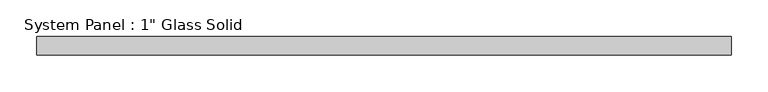
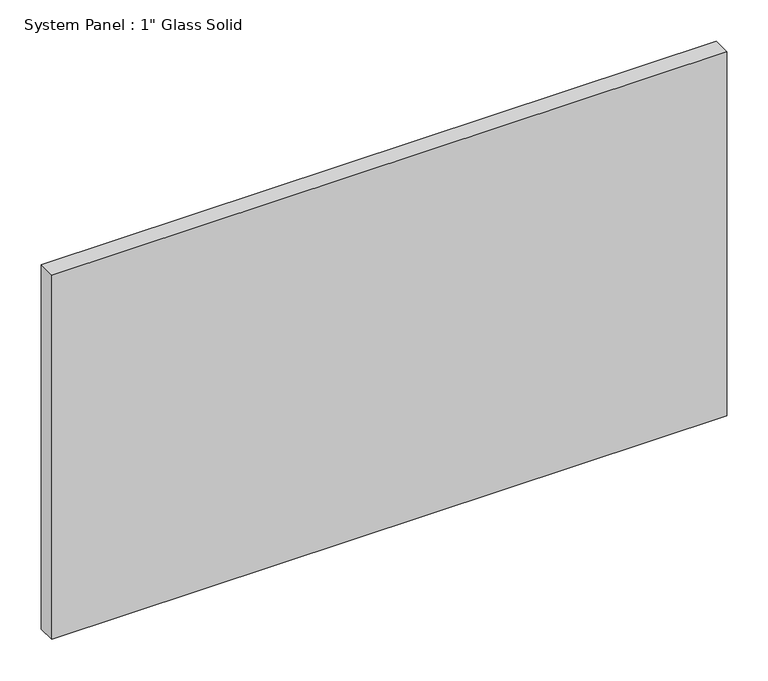
"""IFC4 building model written with IfcOpenShell, lengths in millimetres: plate geometry."""

import ifcopenshell
import ifcopenshell.guid

model = None  # the IFC model being written
_history = None  # IfcOwnerHistory: only IFC2X3 demands one
_inside = {}  # id of a spatial element -> (the spatial element, [elements in it])
_under = {}  # id of a project, library or spatial element -> (it, [spatial elements below it])
_declared = {}  # id of a project -> (the project, [libraries it declares])
_typed = {}  # id of a type object -> (the type object, [elements of that type])
_made_of = {}  # id of a material, layer set ... -> (it, [elements and type objects made of it])


def new_model(schema):
    """Start an empty IFC model of exactly this schema.

    Asked for "IFC4X3", IfcOpenShell would pick the latest addendum, in which some entities
    have other attributes; the version numbers below select the first issue.
    IFC2X3 requires an IfcOwnerHistory on every rooted entity: one is made here for all.
    """
    global model, _history
    if schema == "IFC4X3":
        model = ifcopenshell.file(schema_version=(4, 3, 0, 0))
    else:
        model = ifcopenshell.file(schema=schema)
    _inside.clear()
    _under.clear()
    _declared.clear()
    _typed.clear()
    _made_of.clear()
    _history = None
    if model.schema == "IFC2X3":
        org = make("IfcOrganization", Name="unknown")
        user = make(
            "IfcPersonAndOrganization",
            ThePerson=make("IfcPerson", FamilyName="unknown"),
            TheOrganization=org,
        )
        app = make(
            "IfcApplication",
            ApplicationDeveloper=org,
            Version="unknown",
            ApplicationFullName="unknown",
            ApplicationIdentifier="unknown",
        )
        _history = make(
            "IfcOwnerHistory",
            OwningUser=user,
            OwningApplication=app,
            ChangeAction="ADDED",
            CreationDate=0,
        )
    return model


def make(cls, **values):
    """One entity of the class cls with the attributes given. An attribute that is None is left unset."""
    return model.create_entity(
        cls, **{name: value for name, value in values.items() if value is not None}
    )


def rooted(cls, **values):
    """An entity with a GlobalId (a new one), such as an element, a storey or a relation."""
    return make(cls, GlobalId=ifcopenshell.guid.new(), OwnerHistory=_history, **values)


def si_unit(unit_type, name, prefix=None):
    """IfcSIUnit, for example si_unit("LENGTHUNIT", "METRE", prefix="MILLI")."""
    return make("IfcSIUnit", UnitType=unit_type, Prefix=prefix, Name=name)


def assignment(units):
    """IfcUnitAssignment: the units of a project."""
    return None if units is None else make("IfcUnitAssignment", Units=units)


def point(xyz):
    """IfcCartesianPoint."""
    return None if xyz is None else make("IfcCartesianPoint", Coordinates=xyz)


def direction(xyz):
    """IfcDirection."""
    return None if xyz is None else make("IfcDirection", DirectionRatios=xyz)


def frame(location, z_axis=None, x_axis=None):
    """IfcAxis2Placement3D, a coordinate frame: its origin and axes. An axis left out is left unset."""
    return make(
        "IfcAxis2Placement3D",
        Location=point(location),
        Axis=direction(z_axis),
        RefDirection=direction(x_axis),
    )


def origin():
    """The frame at (0, 0, 0) with its axes left unset."""
    return frame((0.0, 0.0, 0.0))


def origin_with_axes():
    """The frame at (0, 0, 0) with the z axis (0, 0, 1) and the x axis (1, 0, 0) written out."""
    return frame((0.0, 0.0, 0.0), z_axis=(0.0, 0.0, 1.0), x_axis=(1.0, 0.0, 0.0))


def place(relative_to, where):
    """IfcLocalPlacement: puts the frame where relative to a parent placement (None: the world)."""
    return make(
        "IfcLocalPlacement", PlacementRelTo=relative_to, RelativePlacement=where
    )


def context(
    kind, dimensions, precision=None, world=None, true_north=None, identifier=None
):
    """IfcGeometricRepresentationContext, for example the 3D "Model" context."""
    return make(
        "IfcGeometricRepresentationContext",
        ContextIdentifier=identifier,
        ContextType=kind,
        CoordinateSpaceDimension=dimensions,
        Precision=precision,
        WorldCoordinateSystem=world,
        TrueNorth=true_north,
    )


def project(units=None, contexts=None):
    """IfcProject with its units and contexts."""
    return rooted(
        "IfcProject",
        Name="project",
        RepresentationContexts=contexts,
        UnitsInContext=assignment(units),
    )


def spatial(cls, under=None, at=None, **own):
    """A site, building, storey or space (cls), placed at a placement, below another one or the project."""
    s = rooted(cls, ObjectPlacement=at, **own)
    if under is not None:
        _under.setdefault(under.id(), (under, []))[1].append(s)
    return s


def polyline(points):
    """IfcPolyline through the points."""
    return make("IfcPolyline", Points=[point(p) for p in points])


def outline(outer, holes=None, kind="AREA"):
    """IfcArbitraryClosedProfileDef: a profile drawn as a closed curve; with holes, ...WithVoids."""
    if holes is None:
        return make("IfcArbitraryClosedProfileDef", ProfileType=kind, OuterCurve=outer)
    return make(
        "IfcArbitraryProfileDefWithVoids",
        ProfileType=kind,
        OuterCurve=outer,
        InnerCurves=holes,
    )


def extrude(swept, where, along, depth):
    """IfcExtrudedAreaSolid: the profile swept, set in the frame where, extruded along a direction by depth."""
    return make(
        "IfcExtrudedAreaSolid",
        SweptArea=swept,
        Position=where,
        ExtrudedDirection=direction(along),
        Depth=depth,
    )


def shape(context_of_items, identifier, shape_type, items):
    """IfcShapeRepresentation: the items that make up one representation, for example the "Body"."""
    return make(
        "IfcShapeRepresentation",
        ContextOfItems=context_of_items,
        RepresentationIdentifier=identifier,
        RepresentationType=shape_type,
        Items=items,
    )


def source(mapping_origin, context_of_items, identifier, shape_type, items):
    """IfcRepresentationMap: a shape defined once, which mapped items show again and again."""
    return make(
        "IfcRepresentationMap",
        MappingOrigin=mapping_origin,
        MappedRepresentation=shape(context_of_items, identifier, shape_type, items),
    )


def transform(
    local_origin,
    x_axis=None,
    y_axis=None,
    z_axis=None,
    scale=None,
    scale2=None,
    scale3=None,
    uniform=True,
):
    """IfcCartesianTransformationOperator3D, or its non-uniform kind. x_axis, y_axis, z_axis: its Axis1, 2, 3."""
    if uniform:
        return make(
            "IfcCartesianTransformationOperator3D",
            Axis1=direction(x_axis),
            Axis2=direction(y_axis),
            LocalOrigin=point(local_origin),
            Scale=scale,
            Axis3=direction(z_axis),
        )
    return make(
        "IfcCartesianTransformationOperator3DnonUniform",
        Axis1=direction(x_axis),
        Axis2=direction(y_axis),
        LocalOrigin=point(local_origin),
        Scale=scale,
        Axis3=direction(z_axis),
        Scale2=scale2,
        Scale3=scale3,
    )


def mapped(mapping_source, mapping_target):
    """IfcMappedItem: shows the shape of a source again, moved by a transform."""
    return make(
        "IfcMappedItem", MappingSource=mapping_source, MappingTarget=mapping_target
    )


def made_of(thing, what):
    """Note that an element or type object is made of a material, layer set ...; save() writes the relation."""
    if what is not None:
        _made_of.setdefault(what.id(), (what, []))[1].append(thing)
    return thing


def element(
    cls,
    number,
    at=None,
    inside=None,
    cuts=None,
    type_object=None,
    material=None,
    context=None,
    identifier="Body",
    shape_type=None,
    held_by="IfcProductDefinitionShape",
    body=None,
    shapes=None,
    **own,
):
    """One element of the class cls, such as IfcWall. Its Tag is "e" and its number.

    at: its placement. inside: the storey or other place that contains it. cuts: it is an
    opening in that element (IfcRelVoidsElement). A single representation is given by context,
    identifier, shape_type and body (its items); several are given by shapes. held_by: the class
    of the entity that holds the representations. save() writes the other relations.
    """
    e = rooted(cls, Tag="e%d" % number, ObjectPlacement=at, **own)
    if body is not None:
        shapes = [shape(context, identifier, shape_type, body)]
    if shapes is not None:
        e.Representation = make(held_by, Representations=shapes)
    if inside is not None:
        _inside.setdefault(inside.id(), (inside, []))[1].append(e)
    if cuts is not None:
        rooted(
            "IfcRelVoidsElement", RelatingBuildingElement=cuts, RelatedOpeningElement=e
        )
    if type_object is not None:
        _typed.setdefault(type_object.id(), (type_object, []))[1].append(e)
    return made_of(e, material)


def aggregate(whole, parts):
    """IfcRelAggregates: a whole, such as a stair, and the parts it consists of."""
    return rooted("IfcRelAggregates", RelatingObject=whole, RelatedObjects=parts)


def save(model, path):
    """Write the relations noted so far, then the file.

    IfcRelAggregates (storeys below a building ...), IfcRelContainedInSpatialStructure (elements
    in a storey), IfcRelDefinesByType, IfcRelAssociatesMaterial and IfcRelDeclares: one each for
    every whole, place, type object, material and project.
    """
    for whole, parts in _under.values():
        aggregate(whole, parts)
    for where, things in _inside.values():
        rooted(
            "IfcRelContainedInSpatialStructure",
            RelatedElements=things,
            RelatingStructure=where,
        )
    for kind, things in _typed.values():
        rooted("IfcRelDefinesByType", RelatedObjects=things, RelatingType=kind)
    for what, things in _made_of.values():
        rooted("IfcRelAssociatesMaterial", RelatedObjects=things, RelatingMaterial=what)
    for by, libraries in _declared.values():
        rooted("IfcRelDeclares", RelatingContext=by, RelatedDefinitions=libraries)
    model.write(path)


def plate_c33fe503(model_context):
    return source(origin(), model_context, "Body", "SweptSolid", [
        extrude(outline(polyline([(473.0767704, -12.7), (-473.0767704, -12.7), (-473.0767704, 12.7), (473.0767704, 12.7), (473.0767704, -12.7)])), origin_with_axes(), (0.0, 0.0, 1.0), 539.7535408),
    ])


if __name__ == "__main__":
    model = new_model("IFC4")
    model_context = context("Model", 3, world=origin())
    ifc_project = project(units=[si_unit("LENGTHUNIT", "METRE", prefix="MILLI")], contexts=[model_context])
    site = spatial("IfcSite", under=ifc_project)
    building = spatial("IfcBuilding", under=site)
    placement = place(None, origin())
    plate_shape = plate_c33fe503(model_context)
    element("IfcPlate", 1, ObjectType="System Panel : 1\" Glass Solid", at=placement, inside=building, context=model_context, shape_type="MappedRepresentation", body=[
        mapped(plate_shape, transform((0.0, 0.0, 0.0), x_axis=(1.0, 0.0, 0.0), y_axis=(0.0, 1.0, 0.0), z_axis=(0.0, 0.0, 1.0))),
    ])
    save(model, "model.ifc")
